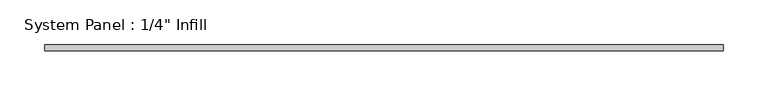
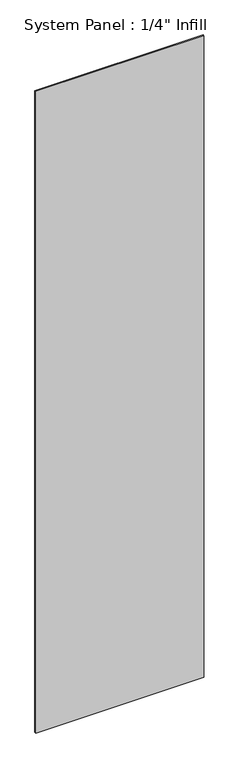
"""IFC4 building model written with IfcOpenShell, lengths in millimetres: plate geometry."""

from ifc_helpers import new_model, si_unit, origin, origin_with_axes, place, context, project, spatial, polyline, outline, extrude, source, transform, mapped, element, save


def plate_f7ceee4b(model_context):
    return source(origin(), model_context, "Body", "SweptSolid", [
        extrude(outline(polyline([(377.8249253, 25.4), (-377.8249253, 25.4), (-377.8249253, 31.75), (377.8249253, 31.75), (377.8249253, 25.4)])), origin_with_axes(), (0.0, 0.0, 1.0), 3048.0),
    ])


if __name__ == "__main__":
    model = new_model("IFC4")
    model_context = context("Model", 3, world=origin())
    ifc_project = project(units=[si_unit("LENGTHUNIT", "METRE", prefix="MILLI")], contexts=[model_context])
    site = spatial("IfcSite", under=ifc_project)
    building = spatial("IfcBuilding", under=site)
    placement = place(None, origin())
    plate_shape = plate_f7ceee4b(model_context)
    element("IfcPlate", 1, ObjectType="System Panel : 1/4\" Infill", at=placement, inside=building, context=model_context, shape_type="MappedRepresentation", body=[
        mapped(plate_shape, transform((0.0, 0.0, 0.0), x_axis=(1.0, 0.0, 0.0), y_axis=(0.0, 1.0, 0.0), z_axis=(0.0, 0.0, 1.0))),
    ])
    save(model, "model.ifc")
